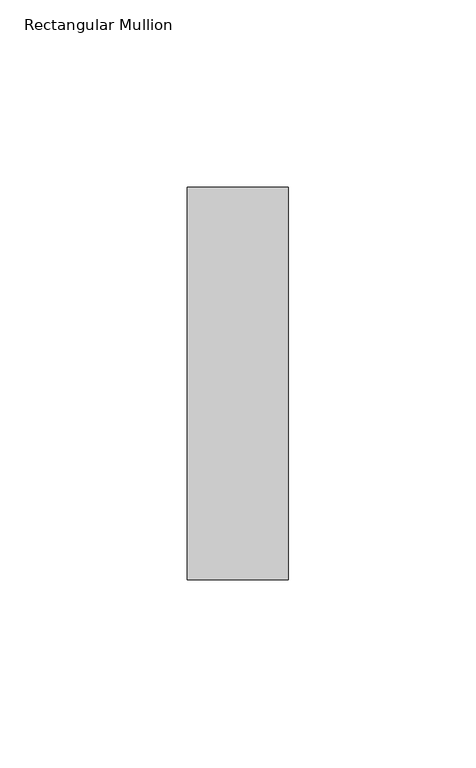
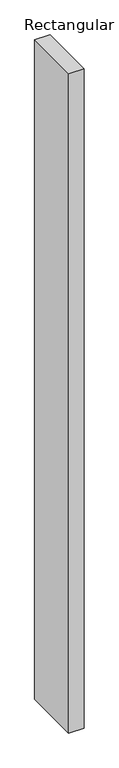
"""IFC4 building model written with IfcOpenShell, lengths in millimetres: member geometry, Rectangular Mullion."""

from ifc_helpers import new_model, si_unit, frame, origin, place, context, project, spatial, polyline, outline, extrude, source, transform, mapped, element, save


def rectangular_mullion_edaea089(model_context):
    return source(origin(), model_context, "Body", "SweptSolid", [
        extrude(outline(polyline([(0.0, 52.3975), (0.0, -52.3975), (-27.0, -52.3975), (-27.0, 52.3975), (0.0, 52.3975)])), frame((0.0, 0.0, -1238.9961452), z_axis=(0.0, 0.0, 1.0), x_axis=(1.0, 0.0, 0.0)), (0.0, 0.0, 1.0), 1238.9961452),
    ])


if __name__ == "__main__":
    model = new_model("IFC4")
    model_context = context("Model", 3, world=origin())
    ifc_project = project(units=[si_unit("LENGTHUNIT", "METRE", prefix="MILLI")], contexts=[model_context])
    site = spatial("IfcSite", under=ifc_project)
    building = spatial("IfcBuilding", under=site)
    placement = place(None, origin())
    rectangular_mullion_shape = rectangular_mullion_edaea089(model_context)
    element("IfcMember", 1, ObjectType="Rectangular Mullion", at=placement, inside=building, context=model_context, shape_type="MappedRepresentation", body=[
        mapped(rectangular_mullion_shape, transform((0.0, 0.0, 0.0), x_axis=(1.0, 0.0, 0.0), y_axis=(0.0, 1.0, 0.0), z_axis=(0.0, 0.0, 1.0))),
    ])
    save(model, "model.ifc")
